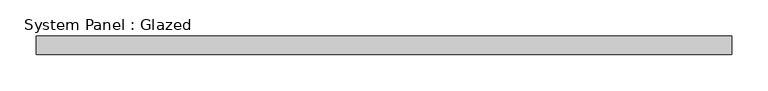
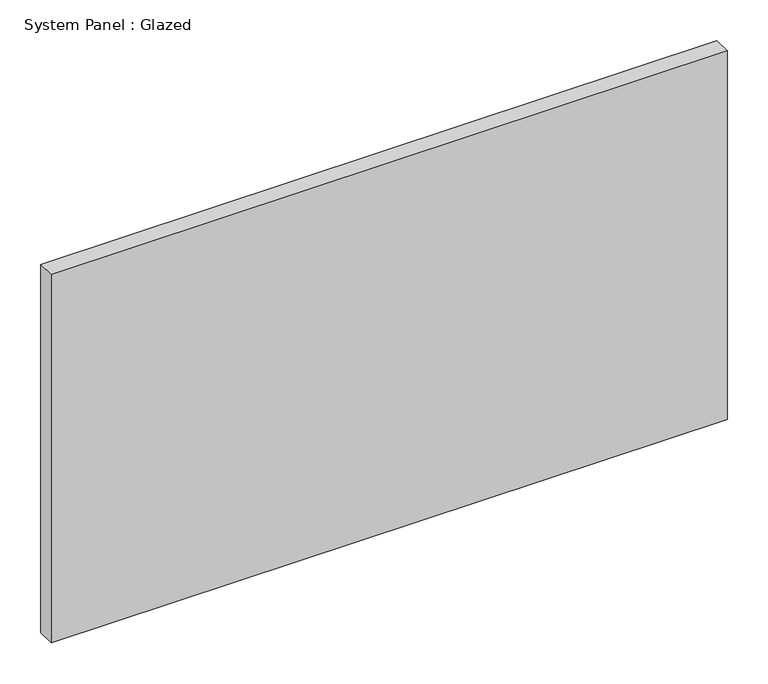
"""IFC4 building model written with IfcOpenShell, lengths in millimetres: plate geometry, System Panel : Glazed."""

from ifc_helpers import new_model, si_unit, origin, origin_with_axes, place, context, project, spatial, polyline, outline, extrude, source, transform, mapped, element, save


def system_panel_glazed_c7f484a5(model_context):
    return source(origin(), model_context, "Body", "SweptSolid", [
        extrude(outline(polyline([(479.425, -12.7), (-479.425, -12.7), (-479.425, 12.7), (479.425, 12.7), (479.425, -12.7)])), origin_with_axes(), (0.0, 0.0, 1.0), 552.45),
    ])


if __name__ == "__main__":
    model = new_model("IFC4")
    model_context = context("Model", 3, world=origin())
    ifc_project = project(units=[si_unit("LENGTHUNIT", "METRE", prefix="MILLI")], contexts=[model_context])
    site = spatial("IfcSite", under=ifc_project)
    building = spatial("IfcBuilding", under=site)
    placement = place(None, origin())
    system_panel_glazed_shape = system_panel_glazed_c7f484a5(model_context)
    element("IfcPlate", 1, ObjectType="System Panel : Glazed", at=placement, inside=building, context=model_context, shape_type="MappedRepresentation", body=[
        mapped(system_panel_glazed_shape, transform((0.0, 0.0, 0.0), x_axis=(1.0, 0.0, 0.0), y_axis=(0.0, 1.0, 0.0), z_axis=(0.0, 0.0, 1.0))),
    ])
    save(model, "model.ifc")
